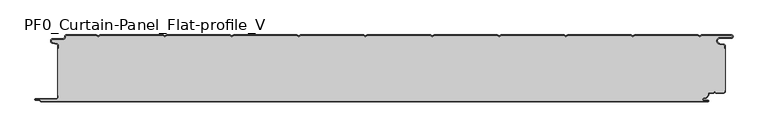
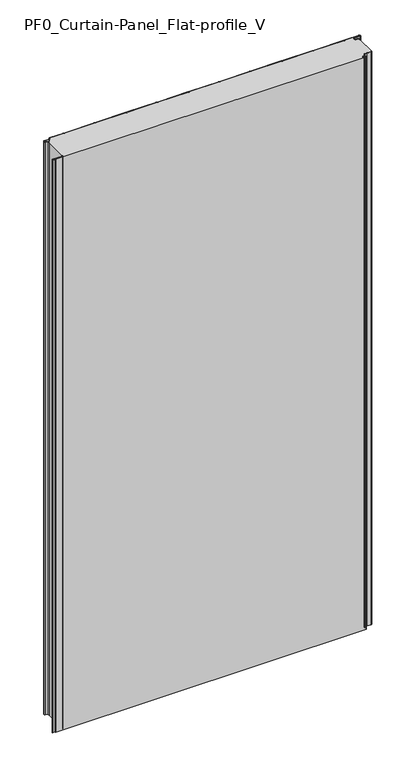
"""IFC4 building model written with IfcOpenShell, lengths in millimetres: plate geometry, PF0_Curtain-Panel_Flat-profile_V."""

import ifcopenshell
import ifcopenshell.guid

model = None  # the IFC model being written
_history = None  # IfcOwnerHistory: only IFC2X3 demands one
_inside = {}  # id of a spatial element -> (the spatial element, [elements in it])
_under = {}  # id of a project, library or spatial element -> (it, [spatial elements below it])
_declared = {}  # id of a project -> (the project, [libraries it declares])
_typed = {}  # id of a type object -> (the type object, [elements of that type])
_made_of = {}  # id of a material, layer set ... -> (it, [elements and type objects made of it])


def new_model(schema):
    """Start an empty IFC model of exactly this schema.

    Asked for "IFC4X3", IfcOpenShell would pick the latest addendum, in which some entities
    have other attributes; the version numbers below select the first issue.
    IFC2X3 requires an IfcOwnerHistory on every rooted entity: one is made here for all.
    """
    global model, _history
    if schema == "IFC4X3":
        model = ifcopenshell.file(schema_version=(4, 3, 0, 0))
    else:
        model = ifcopenshell.file(schema=schema)
    _inside.clear()
    _under.clear()
    _declared.clear()
    _typed.clear()
    _made_of.clear()
    _history = None
    if model.schema == "IFC2X3":
        org = make("IfcOrganization", Name="unknown")
        user = make(
            "IfcPersonAndOrganization",
            ThePerson=make("IfcPerson", FamilyName="unknown"),
            TheOrganization=org,
        )
        app = make(
            "IfcApplication",
            ApplicationDeveloper=org,
            Version="unknown",
            ApplicationFullName="unknown",
            ApplicationIdentifier="unknown",
        )
        _history = make(
            "IfcOwnerHistory",
            OwningUser=user,
            OwningApplication=app,
            ChangeAction="ADDED",
            CreationDate=0,
        )
    return model


def make(cls, **values):
    """One entity of the class cls with the attributes given. An attribute that is None is left unset."""
    return model.create_entity(
        cls, **{name: value for name, value in values.items() if value is not None}
    )


def rooted(cls, **values):
    """An entity with a GlobalId (a new one), such as an element, a storey or a relation."""
    return make(cls, GlobalId=ifcopenshell.guid.new(), OwnerHistory=_history, **values)


def si_unit(unit_type, name, prefix=None):
    """IfcSIUnit, for example si_unit("LENGTHUNIT", "METRE", prefix="MILLI")."""
    return make("IfcSIUnit", UnitType=unit_type, Prefix=prefix, Name=name)


def assignment(units):
    """IfcUnitAssignment: the units of a project."""
    return None if units is None else make("IfcUnitAssignment", Units=units)


def point(xyz):
    """IfcCartesianPoint."""
    return None if xyz is None else make("IfcCartesianPoint", Coordinates=xyz)


def direction(xyz):
    """IfcDirection."""
    return None if xyz is None else make("IfcDirection", DirectionRatios=xyz)


def frame(location, z_axis=None, x_axis=None):
    """IfcAxis2Placement3D, a coordinate frame: its origin and axes. An axis left out is left unset."""
    return make(
        "IfcAxis2Placement3D",
        Location=point(location),
        Axis=direction(z_axis),
        RefDirection=direction(x_axis),
    )


def frame_2d(location, x_axis=None):
    """IfcAxis2Placement2D, a coordinate frame in the plane: its origin and x axis."""
    return make(
        "IfcAxis2Placement2D", Location=point(location), RefDirection=direction(x_axis)
    )


def origin():
    """The frame at (0, 0, 0) with its axes left unset."""
    return frame((0.0, 0.0, 0.0))


def origin_with_axes():
    """The frame at (0, 0, 0) with the z axis (0, 0, 1) and the x axis (1, 0, 0) written out."""
    return frame((0.0, 0.0, 0.0), z_axis=(0.0, 0.0, 1.0), x_axis=(1.0, 0.0, 0.0))


def place(relative_to, where):
    """IfcLocalPlacement: puts the frame where relative to a parent placement (None: the world)."""
    return make(
        "IfcLocalPlacement", PlacementRelTo=relative_to, RelativePlacement=where
    )


def context(
    kind, dimensions, precision=None, world=None, true_north=None, identifier=None
):
    """IfcGeometricRepresentationContext, for example the 3D "Model" context."""
    return make(
        "IfcGeometricRepresentationContext",
        ContextIdentifier=identifier,
        ContextType=kind,
        CoordinateSpaceDimension=dimensions,
        Precision=precision,
        WorldCoordinateSystem=world,
        TrueNorth=true_north,
    )


def project(units=None, contexts=None):
    """IfcProject with its units and contexts."""
    return rooted(
        "IfcProject",
        Name="project",
        RepresentationContexts=contexts,
        UnitsInContext=assignment(units),
    )


def spatial(cls, under=None, at=None, **own):
    """A site, building, storey or space (cls), placed at a placement, below another one or the project."""
    s = rooted(cls, ObjectPlacement=at, **own)
    if under is not None:
        _under.setdefault(under.id(), (under, []))[1].append(s)
    return s


def polyline(points):
    """IfcPolyline through the points."""
    return make("IfcPolyline", Points=[point(p) for p in points])


def circle_curve(where, radius):
    """IfcCircle in the frame where."""
    return make("IfcCircle", Position=where, Radius=radius)


def trimmed(basis, trim1, trim2, sense, master):
    """IfcTrimmedCurve: the piece of a basis curve between two trims."""
    return make(
        "IfcTrimmedCurve",
        BasisCurve=basis,
        Trim1=trim1,
        Trim2=trim2,
        SenseAgreement=sense,
        MasterRepresentation=master,
    )


def segment(curve, same_sense, transition):
    """IfcCompositeCurveSegment."""
    return make(
        "IfcCompositeCurveSegment",
        Transition=transition,
        SameSense=same_sense,
        ParentCurve=curve,
    )


def composite_curve(segments, self_intersect=None):
    """IfcCompositeCurve: segments joined end to end."""
    return make("IfcCompositeCurve", Segments=segments, SelfIntersect=self_intersect)


def outline(outer, holes=None, kind="AREA"):
    """IfcArbitraryClosedProfileDef: a profile drawn as a closed curve; with holes, ...WithVoids."""
    if holes is None:
        return make("IfcArbitraryClosedProfileDef", ProfileType=kind, OuterCurve=outer)
    return make(
        "IfcArbitraryProfileDefWithVoids",
        ProfileType=kind,
        OuterCurve=outer,
        InnerCurves=holes,
    )


def extrude(swept, where, along, depth):
    """IfcExtrudedAreaSolid: the profile swept, set in the frame where, extruded along a direction by depth."""
    return make(
        "IfcExtrudedAreaSolid",
        SweptArea=swept,
        Position=where,
        ExtrudedDirection=direction(along),
        Depth=depth,
    )


def shape(context_of_items, identifier, shape_type, items):
    """IfcShapeRepresentation: the items that make up one representation, for example the "Body"."""
    return make(
        "IfcShapeRepresentation",
        ContextOfItems=context_of_items,
        RepresentationIdentifier=identifier,
        RepresentationType=shape_type,
        Items=items,
    )


def source(mapping_origin, context_of_items, identifier, shape_type, items):
    """IfcRepresentationMap: a shape defined once, which mapped items show again and again."""
    return make(
        "IfcRepresentationMap",
        MappingOrigin=mapping_origin,
        MappedRepresentation=shape(context_of_items, identifier, shape_type, items),
    )


def transform(
    local_origin,
    x_axis=None,
    y_axis=None,
    z_axis=None,
    scale=None,
    scale2=None,
    scale3=None,
    uniform=True,
):
    """IfcCartesianTransformationOperator3D, or its non-uniform kind. x_axis, y_axis, z_axis: its Axis1, 2, 3."""
    if uniform:
        return make(
            "IfcCartesianTransformationOperator3D",
            Axis1=direction(x_axis),
            Axis2=direction(y_axis),
            LocalOrigin=point(local_origin),
            Scale=scale,
            Axis3=direction(z_axis),
        )
    return make(
        "IfcCartesianTransformationOperator3DnonUniform",
        Axis1=direction(x_axis),
        Axis2=direction(y_axis),
        LocalOrigin=point(local_origin),
        Scale=scale,
        Axis3=direction(z_axis),
        Scale2=scale2,
        Scale3=scale3,
    )


def mapped(mapping_source, mapping_target):
    """IfcMappedItem: shows the shape of a source again, moved by a transform."""
    return make(
        "IfcMappedItem", MappingSource=mapping_source, MappingTarget=mapping_target
    )


def made_of(thing, what):
    """Note that an element or type object is made of a material, layer set ...; save() writes the relation."""
    if what is not None:
        _made_of.setdefault(what.id(), (what, []))[1].append(thing)
    return thing


def element(
    cls,
    number,
    at=None,
    inside=None,
    cuts=None,
    type_object=None,
    material=None,
    context=None,
    identifier="Body",
    shape_type=None,
    held_by="IfcProductDefinitionShape",
    body=None,
    shapes=None,
    **own,
):
    """One element of the class cls, such as IfcWall. Its Tag is "e" and its number.

    at: its placement. inside: the storey or other place that contains it. cuts: it is an
    opening in that element (IfcRelVoidsElement). A single representation is given by context,
    identifier, shape_type and body (its items); several are given by shapes. held_by: the class
    of the entity that holds the representations. save() writes the other relations.
    """
    e = rooted(cls, Tag="e%d" % number, ObjectPlacement=at, **own)
    if body is not None:
        shapes = [shape(context, identifier, shape_type, body)]
    if shapes is not None:
        e.Representation = make(held_by, Representations=shapes)
    if inside is not None:
        _inside.setdefault(inside.id(), (inside, []))[1].append(e)
    if cuts is not None:
        rooted(
            "IfcRelVoidsElement", RelatingBuildingElement=cuts, RelatedOpeningElement=e
        )
    if type_object is not None:
        _typed.setdefault(type_object.id(), (type_object, []))[1].append(e)
    return made_of(e, material)


def aggregate(whole, parts):
    """IfcRelAggregates: a whole, such as a stair, and the parts it consists of."""
    return rooted("IfcRelAggregates", RelatingObject=whole, RelatedObjects=parts)


def save(model, path):
    """Write the relations noted so far, then the file.

    IfcRelAggregates (storeys below a building ...), IfcRelContainedInSpatialStructure (elements
    in a storey), IfcRelDefinesByType, IfcRelAssociatesMaterial and IfcRelDeclares: one each for
    every whole, place, type object, material and project.
    """
    for whole, parts in _under.values():
        aggregate(whole, parts)
    for where, things in _inside.values():
        rooted(
            "IfcRelContainedInSpatialStructure",
            RelatedElements=things,
            RelatingStructure=where,
        )
    for kind, things in _typed.values():
        rooted("IfcRelDefinesByType", RelatedObjects=things, RelatingType=kind)
    for what, things in _made_of.values():
        rooted("IfcRelAssociatesMaterial", RelatedObjects=things, RelatingMaterial=what)
    for by, libraries in _declared.values():
        rooted("IfcRelDeclares", RelatingContext=by, RelatedDefinitions=libraries)
    model.write(path)


def plane_surface(at):
    """IfcPlane: the flat surface through the origin of the frame at, square to its z axis."""
    return make("IfcPlane", Position=at)


def cylinder_surface(at, radius):
    """IfcCylindricalSurface: all points at the distance radius from the z axis of the frame at."""
    return make("IfcCylindricalSurface", Position=at, Radius=radius)


def revolved_surface(curve, axis_point, axis_direction):
    """IfcSurfaceOfRevolution: the curve turned about the line through axis_point along axis_direction."""
    return make(
        "IfcSurfaceOfRevolution",
        SweptCurve=make("IfcArbitraryOpenProfileDef", ProfileType="CURVE", Curve=curve),
        AxisPosition=make("IfcAxis1Placement", Location=point(axis_point), Axis=direction(axis_direction)),
    )


def advanced_brep(points, edges, surfaces, faces):
    """IfcAdvancedBrep: a solid bounded by faces that lie on surfaces and meet in shared edges.

    An edge is (start, end): straight between two places in points (the first is 0);
    or (start, end, curve); or (start, end, curve, False) where it runs against its curve.
    A face is (place in surfaces, loops), or (place, loops, False) where it looks against
    its surface's normal. A loop lists edges by number (the first is 1), with a minus sign
    where the edge is run from its end to its start. The first loop is the outer one.
    """
    corners = [point(p) for p in points]
    vertices = [make("IfcVertexPoint", VertexGeometry=c) for c in corners]
    made = []
    for start, end, *more in edges:
        made.append(
            make(
                "IfcEdgeCurve",
                EdgeStart=vertices[start],
                EdgeEnd=vertices[end],
                EdgeGeometry=more[0] if more else make("IfcPolyline", Points=[corners[start], corners[end]]),
                SameSense=more[1] if len(more) > 1 else True,
            )
        )
    hull = []
    for where, loops, *sense in faces:
        bounds = []
        for j, loop in enumerate(loops):
            ring = [make("IfcOrientedEdge", EdgeElement=made[abs(k) - 1], Orientation=k > 0) for k in loop]
            bounds.append(
                make(
                    "IfcFaceOuterBound" if j == 0 else "IfcFaceBound",
                    Bound=make("IfcEdgeLoop", EdgeList=ring),
                    Orientation=True,
                )
            )
        hull.append(make("IfcAdvancedFace", Bounds=bounds, FaceSurface=surfaces[where], SameSense=sense[0] if sense else True))
    return make("IfcAdvancedBrep", Outer=make("IfcClosedShell", CfsFaces=hull))


def pf0_curtain_panel_flat_profile_v_f367936f(model_context):
    return source(origin(), model_context, "Body", "SolidModel", [
        advanced_brep(
        [(-500.0, -15.878557, 1945.7507136), (-500.0, -20.0, 1945.7507136), (-499.2, -20.0, 1945.7507136), (-499.2, -15.878557, 1945.7507136), (-501.370137, -13.1503208, 1945.7507136), (-507.529863, -11.728236, 1945.7507136), (-506.9, -6.2, 1945.7507136), (-491.4, -6.2, 1945.7507136), (-488.6, -3.4, 1945.7507136), (-488.6, -2.0, 1945.7507136), (-487.4, -0.8, 1945.7507136), (-442.3143588, -0.8, 1945.7507136), (-439.4, -2.482606, 1945.7507136), (-436.4856412, -0.8, 1945.7507136), (-342.3143588, -0.8, 1945.7507136), (-339.4, -2.482606, 1945.7507136), (-336.4856412, -0.8, 1945.7507136), (-242.3143588, -0.8, 1945.7507136), (-239.4, -2.482606, 1945.7507136), (-236.4856412, -0.8, 1945.7507136), (-142.3143588, -0.8, 1945.7507136), (-139.4, -2.482606, 1945.7507136), (-136.4856412, -0.8, 1945.7507136), (-42.3143588, -0.8, 1945.7507136), (-39.4, -2.482606, 1945.7507136), (-36.4856412, -0.8, 1945.7507136), (57.6856412, -0.8, 1945.7507136), (60.6, -2.482606, 1945.7507136), (63.5143588, -0.8, 1945.7507136), (157.6856412, -0.8, 1945.7507136), (160.6, -2.482606, 1945.7507136), (163.5143588, -0.8, 1945.7507136), (257.6856412, -0.8, 1945.7507136), (260.6, -2.482606, 1945.7507136), (263.5143588, -0.8, 1945.7507136), (357.6856412, -0.8, 1945.7507136), (360.6, -2.482606, 1945.7507136), (363.5143588, -0.8, 1945.7507136), (457.6856412, -0.8, 1945.7507136), (460.6, -2.482606, 1945.7507136), (463.5143588, -0.8, 1945.7507136), (508.1, -0.8, 1945.7507136), (508.1, -4.2, 1945.7507136), (491.1, -4.2, 1945.7507136), (490.2664884, -13.7270771, 1945.7507136), (496.7125669, -14.8636953, 1945.7507136), (498.2, -16.6363492, 1945.7507136), (498.2, -20.0, 1945.7507136), (499.0, -20.0, 1945.7507136), (499.0, -16.6363492, 1945.7507136), (496.8514855, -14.0758491, 1945.7507136), (490.405407, -12.939231, 1945.7507136), (491.1, -5.0, 1945.7507136), (508.1, -5.0, 1945.7507136), (510.6, -2.5, 1945.7507136), (508.1, 0.0, 1945.7507136), (463.2999995, 0.0, 1945.7507136), (460.6, -1.5588455, 1945.7507136), (457.9000005, 0.0, 1945.7507136), (363.2999995, 0.0, 1945.7507136), (360.6, -1.5588455, 1945.7507136), (357.9000005, 0.0, 1945.7507136), (263.2999995, 0.0, 1945.7507136), (260.6, -1.5588455, 1945.7507136), (257.9000005, 0.0, 1945.7507136), (163.2999995, 0.0, 1945.7507136), (160.6, -1.5588455, 1945.7507136), (157.9000005, 0.0, 1945.7507136), (63.2999995, 0.0, 1945.7507136), (60.6, -1.5588455, 1945.7507136), (57.9000005, 0.0, 1945.7507136), (-36.7000005, 0.0, 1945.7507136), (-39.4, -1.5588455, 1945.7507136), (-42.0999995, 0.0, 1945.7507136), (-136.7000005, 0.0, 1945.7507136), (-139.4, -1.5588455, 1945.7507136), (-142.0999995, 0.0, 1945.7507136), (-236.7000005, 0.0, 1945.7507136), (-239.4, -1.5588455, 1945.7507136), (-242.0999995, 0.0, 1945.7507136), (-336.7000005, 0.0, 1945.7507136), (-339.4, -1.5588455, 1945.7507136), (-342.0999995, 0.0, 1945.7507136), (-436.7000005, 0.0, 1945.7507136), (-439.4, -1.5588455, 1945.7507136), (-442.0999995, 0.0, 1945.7507136), (-487.4, 0.0, 1945.7507136), (-489.4, -2.0, 1945.7507136), (-489.4, -3.4, 1945.7507136), (-491.4, -5.4, 1945.7507136), (-506.9, -5.4, 1945.7507136), (-507.7098239, -12.5077322, 1945.7507136), (-501.5500979, -13.929817, 1945.7507136), (-500.0, -15.878557, 0.0), (-501.5500978, -13.9298169, 0.0), (-507.7098239, -12.507732, 0.0), (-506.9, -5.4, 0.0), (-491.4, -5.4, 0.0), (-489.4, -3.4, 0.0), (-489.4, -2.0, 0.0), (-487.4, 0.0, 0.0), (-442.0999995, 0.0, 0.0), (-439.4, -1.5588455, 0.0), (-436.7000005, 0.0, 0.0), (-342.0999995, 0.0, 0.0), (-339.4, -1.5588455, 0.0), (-336.7000005, 0.0, 0.0), (-242.0999995, 0.0, 0.0), (-239.4, -1.5588455, 0.0), (-236.7000005, 0.0, 0.0), (-142.0999995, 0.0, 0.0), (-139.4, -1.5588455, 0.0), (-136.7000005, 0.0, 0.0), (-42.0999995, 0.0, 0.0), (-39.4, -1.5588455, 0.0), (-36.7000005, 0.0, 0.0), (57.9000005, 0.0, 0.0), (60.6, -1.5588455, 0.0), (63.2999995, 0.0, 0.0), (157.9000005, 0.0, 0.0), (160.6, -1.5588455, 0.0), (163.2999995, 0.0, 0.0), (257.9000005, 0.0, 0.0), (260.6, -1.5588455, 0.0), (263.2999995, 0.0, 0.0), (357.9000005, 0.0, 0.0), (360.6, -1.5588455, 0.0), (363.2999995, 0.0, 0.0), (457.9000005, 0.0, 0.0), (460.6, -1.5588455, 0.0), (463.2999995, 0.0, 0.0), (508.1, 0.0, 0.0), (510.6, -2.5, 0.0), (508.1, -5.0, 0.0), (491.1, -5.0, 0.0), (490.405407, -12.939231, 0.0), (496.8514855, -14.0758491, 0.0), (499.0, -16.6363492, 0.0), (499.0, -20.0, 0.0), (498.2, -20.0, 0.0), (498.2, -16.6363492, 0.0), (496.7125669, -14.8636953, 0.0), (490.2664884, -13.7270772, 0.0), (491.1, -4.2, 0.0), (508.1, -4.2, 0.0), (508.1, -0.8, 0.0), (463.5143588, -0.8, 0.0), (460.6, -2.482606, 0.0), (457.6856412, -0.8, 0.0), (363.5143588, -0.8, 0.0), (360.6, -2.482606, 0.0), (357.6856412, -0.8, 0.0), (263.5143588, -0.8, 0.0), (260.6, -2.482606, 0.0), (257.6856412, -0.8, 0.0), (163.5143588, -0.8, 0.0), (160.6, -2.482606, 0.0), (157.6856412, -0.8, 0.0), (63.5143588, -0.8, 0.0), (60.6, -2.482606, 0.0), (57.6856412, -0.8, 0.0), (-36.4856412, -0.8, 0.0), (-39.4, -2.482606, 0.0), (-42.3143588, -0.8, 0.0), (-136.4856412, -0.8, 0.0), (-139.4, -2.482606, 0.0), (-142.3143588, -0.8, 0.0), (-236.4856412, -0.8, 0.0), (-239.4, -2.482606, 0.0), (-242.3143588, -0.8, 0.0), (-336.4856412, -0.8, 0.0), (-339.4, -2.482606, 0.0), (-342.3143588, -0.8, 0.0), (-436.4856412, -0.8, 0.0), (-439.4, -2.482606, 0.0), (-442.3143588, -0.8, 0.0), (-487.4, -0.8, 0.0), (-488.6, -2.0, 0.0), (-488.6, -3.4, 0.0), (-491.4, -6.2, 0.0), (-506.9, -6.2, 0.0), (-507.529863, -11.7282362, 0.0), (-501.370137, -13.150321, 0.0), (-499.2, -15.878557, 0.0), (-499.2, -20.0, 0.0), (-500.0, -20.0, 0.0)],
        [
            (0, 1),
            (1, 2),
            (2, 3),
            (3, 4, circle_curve(frame((-502.0, -15.878557, 1945.7507136), z_axis=(0.0, 0.0, 1.0), x_axis=(1.0, 0.0, 0.0)), 2.8)),
            (4, 5),
            (5, 6, circle_curve(frame((-506.9, -9.0, 1945.7507136), z_axis=(0.0, 0.0, -1.0), x_axis=(1.0, 0.0, 0.0)), 2.8)),
            (6, 7),
            (7, 8, circle_curve(frame((-491.4, -3.4, 1945.7507136), z_axis=(0.0, 0.0, 1.0), x_axis=(1.0, 0.0, 0.0)), 2.8)),
            (8, 9),
            (9, 10, circle_curve(frame((-487.4, -2.0, 1945.7507136), z_axis=(0.0, 0.0, -1.0), x_axis=(1.0, 0.0, 0.0)), 1.2)),
            (10, 11),
            (11, 12),
            (12, 13),
            (13, 14),
            (14, 15),
            (15, 16),
            (16, 17),
            (17, 18),
            (18, 19),
            (19, 20),
            (20, 21),
            (21, 22),
            (22, 23),
            (23, 24),
            (24, 25),
            (25, 26),
            (26, 27),
            (27, 28),
            (28, 29),
            (29, 30),
            (30, 31),
            (31, 32),
            (32, 33),
            (33, 34),
            (34, 35),
            (35, 36),
            (36, 37),
            (37, 38),
            (38, 39),
            (39, 40),
            (40, 41),
            (41, 42, circle_curve(frame((508.1, -2.5, 1945.7507136), z_axis=(0.0, 0.0, -1.0), x_axis=(1.0, 0.0, 0.0)), 1.7)),
            (42, 43),
            (43, 44, circle_curve(frame((491.1, -9.0, 1945.7507136), z_axis=(0.0, 0.0, 1.0), x_axis=(1.0, 0.0, 0.0)), 4.8)),
            (44, 45),
            (45, 46, circle_curve(frame((496.4, -16.6363492, 1945.7507136), z_axis=(0.0, 0.0, -1.0), x_axis=(1.0, 0.0, 0.0)), 1.8)),
            (46, 47),
            (47, 48),
            (48, 49),
            (49, 50, circle_curve(frame((496.4, -16.6363492, 1945.7507136), z_axis=(0.0, 0.0, 1.0), x_axis=(1.0, 0.0, 0.0)), 2.6)),
            (50, 51),
            (51, 52, circle_curve(frame((491.1, -9.0, 1945.7507136), z_axis=(0.0, 0.0, -1.0), x_axis=(1.0, 0.0, 0.0)), 4.0)),
            (52, 53),
            (53, 54, circle_curve(frame((508.1, -2.5, 1945.7507136), z_axis=(0.0, 0.0, 1.0), x_axis=(1.0, 0.0, 0.0)), 2.5)),
            (54, 55, circle_curve(frame((508.1, -2.5, 1945.7507136), z_axis=(0.0, 0.0, 1.0), x_axis=(1.0, 0.0, 0.0)), 2.5)),
            (55, 56),
            (56, 57),
            (57, 58),
            (58, 59),
            (59, 60),
            (60, 61),
            (61, 62),
            (62, 63),
            (63, 64),
            (64, 65),
            (65, 66),
            (66, 67),
            (67, 68),
            (68, 69),
            (69, 70),
            (70, 71),
            (71, 72),
            (72, 73),
            (73, 74),
            (74, 75),
            (75, 76),
            (76, 77),
            (77, 78),
            (78, 79),
            (79, 80),
            (80, 81),
            (81, 82),
            (82, 83),
            (83, 84),
            (84, 85),
            (85, 86),
            (86, 87, circle_curve(frame((-487.4, -2.0, 1945.7507136), z_axis=(0.0, 0.0, 1.0), x_axis=(1.0, 0.0, 0.0)), 2.0)),
            (87, 88),
            (88, 89, circle_curve(frame((-491.4, -3.4, 1945.7507136), z_axis=(0.0, 0.0, -1.0), x_axis=(1.0, 0.0, 0.0)), 2.0)),
            (89, 90),
            (90, 91, circle_curve(frame((-506.9, -9.0, 1945.7507136), z_axis=(0.0, 0.0, 1.0), x_axis=(1.0, 0.0, 0.0)), 3.6)),
            (91, 92),
            (92, 0, circle_curve(frame((-502.0, -15.878557, 1945.7507136), z_axis=(0.0, 0.0, -1.0), x_axis=(1.0, 0.0, 0.0)), 2.0)),
            (93, 94, circle_curve(frame((-502.0, -15.878557, 0.0), z_axis=(0.0, 0.0, 1.0), x_axis=(1.0, 0.0, 0.0)), 2.0)),
            (94, 95),
            (95, 96, circle_curve(frame((-506.9, -9.0, 0.0), z_axis=(0.0, 0.0, -1.0), x_axis=(1.0, 0.0, 0.0)), 3.6)),
            (96, 97),
            (97, 98, circle_curve(frame((-491.4, -3.4, 0.0), z_axis=(0.0, 0.0, 1.0), x_axis=(1.0, 0.0, 0.0)), 2.0)),
            (98, 99),
            (99, 100, circle_curve(frame((-487.4, -2.0, 0.0), z_axis=(0.0, 0.0, -1.0), x_axis=(1.0, 0.0, 0.0)), 2.0)),
            (100, 101),
            (101, 102),
            (102, 103),
            (103, 104),
            (104, 105),
            (105, 106),
            (106, 107),
            (107, 108),
            (108, 109),
            (109, 110),
            (110, 111),
            (111, 112),
            (112, 113),
            (113, 114),
            (114, 115),
            (115, 116),
            (116, 117),
            (117, 118),
            (118, 119),
            (119, 120),
            (120, 121),
            (121, 122),
            (122, 123),
            (123, 124),
            (124, 125),
            (125, 126),
            (126, 127),
            (127, 128),
            (128, 129),
            (129, 130),
            (130, 131),
            (131, 132, circle_curve(frame((508.1, -2.5, 0.0), z_axis=(0.0, 0.0, -1.0), x_axis=(1.0, 0.0, 0.0)), 2.5)),
            (132, 133, circle_curve(frame((508.1, -2.5, 0.0), z_axis=(0.0, 0.0, -1.0), x_axis=(1.0, 0.0, 0.0)), 2.5)),
            (133, 134),
            (134, 135, circle_curve(frame((491.1, -9.0, 0.0), z_axis=(0.0, 0.0, 1.0), x_axis=(1.0, 0.0, 0.0)), 4.0)),
            (135, 136),
            (136, 137, circle_curve(frame((496.4, -16.6363492, 0.0), z_axis=(0.0, 0.0, -1.0), x_axis=(1.0, 0.0, 0.0)), 2.6)),
            (137, 138),
            (138, 139),
            (139, 140),
            (140, 141, circle_curve(frame((496.4, -16.6363492, 0.0), z_axis=(0.0, 0.0, 1.0), x_axis=(1.0, 0.0, 0.0)), 1.8)),
            (141, 142),
            (142, 143, circle_curve(frame((491.1, -9.0, 0.0), z_axis=(0.0, 0.0, -1.0), x_axis=(1.0, 0.0, 0.0)), 4.8)),
            (143, 144),
            (144, 145, circle_curve(frame((508.1, -2.5, 0.0), z_axis=(0.0, 0.0, 1.0), x_axis=(1.0, 0.0, 0.0)), 1.7)),
            (145, 146),
            (146, 147),
            (147, 148),
            (148, 149),
            (149, 150),
            (150, 151),
            (151, 152),
            (152, 153),
            (153, 154),
            (154, 155),
            (155, 156),
            (156, 157),
            (157, 158),
            (158, 159),
            (159, 160),
            (160, 161),
            (161, 162),
            (162, 163),
            (163, 164),
            (164, 165),
            (165, 166),
            (166, 167),
            (167, 168),
            (168, 169),
            (169, 170),
            (170, 171),
            (171, 172),
            (172, 173),
            (173, 174),
            (174, 175),
            (175, 176),
            (176, 177, circle_curve(frame((-487.4, -2.0, 0.0), z_axis=(0.0, 0.0, 1.0), x_axis=(1.0, 0.0, 0.0)), 1.2)),
            (177, 178),
            (178, 179, circle_curve(frame((-491.4, -3.4, 0.0), z_axis=(0.0, 0.0, -1.0), x_axis=(1.0, 0.0, 0.0)), 2.8)),
            (179, 180),
            (180, 181, circle_curve(frame((-506.9, -9.0, 0.0), z_axis=(0.0, 0.0, 1.0), x_axis=(1.0, 0.0, 0.0)), 2.8)),
            (181, 182),
            (182, 183, circle_curve(frame((-502.0, -15.878557, 0.0), z_axis=(0.0, 0.0, -1.0), x_axis=(1.0, 0.0, 0.0)), 2.8)),
            (183, 184),
            (184, 185),
            (185, 93),
            (0, 93),
            (185, 1),
            (184, 2),
            (183, 3),
            (182, 4),
            (181, 5),
            (180, 6),
            (179, 7),
            (178, 8),
            (177, 9),
            (176, 10),
            (175, 11),
            (174, 12),
            (173, 13),
            (172, 14),
            (171, 15),
            (170, 16),
            (169, 17),
            (168, 18),
            (167, 19),
            (166, 20),
            (165, 21),
            (164, 22),
            (163, 23),
            (162, 24),
            (161, 25),
            (160, 26),
            (159, 27),
            (158, 28),
            (157, 29),
            (156, 30),
            (155, 31),
            (154, 32),
            (153, 33),
            (152, 34),
            (151, 35),
            (150, 36),
            (149, 37),
            (148, 38),
            (147, 39),
            (146, 40),
            (145, 41),
            (144, 42),
            (143, 43),
            (142, 44),
            (141, 45),
            (140, 46),
            (139, 47),
            (138, 48),
            (137, 49),
            (136, 50),
            (135, 51),
            (134, 52),
            (133, 53),
            (131, 55),
            (56, 130),
            (129, 57),
            (128, 58),
            (127, 59),
            (126, 60),
            (125, 61),
            (124, 62),
            (123, 63),
            (122, 64),
            (121, 65),
            (120, 66),
            (119, 67),
            (118, 68),
            (117, 69),
            (116, 70),
            (115, 71),
            (114, 72),
            (113, 73),
            (112, 74),
            (111, 75),
            (110, 76),
            (109, 77),
            (108, 78),
            (107, 79),
            (106, 80),
            (105, 81),
            (104, 82),
            (103, 83),
            (102, 84),
            (101, 85),
            (100, 86),
            (99, 87),
            (98, 88),
            (97, 89),
            (96, 90),
            (95, 91),
            (94, 92),
        ],
        [
            plane_surface(frame((-500.0, 0.0, 1945.7507136), z_axis=(0.0, 0.0, 1.0), x_axis=(0.0, 1.0, 0.0))),
            plane_surface(frame((-500.0, 0.0, 0.0), z_axis=(0.0, 0.0, -1.0), x_axis=(0.0, 1.0, 0.0))),
            plane_surface(frame((-500.0, -15.878557, 1945.7507136), z_axis=(-1.0, 0.0, 0.0), x_axis=(0.0, 0.0, -1.0))),
            plane_surface(frame((-500.0, -20.0, 1945.7507136), z_axis=(0.0, -1.0, 0.0), x_axis=(0.0, 0.0, -1.0))),
            plane_surface(frame((-499.2, -20.0, 1945.7507136), z_axis=(1.0, 0.0, 0.0), x_axis=(0.0, 0.0, -1.0))),
            cylinder_surface(frame((-502.0, -15.878557, 1945.7507136), z_axis=(0.0, 0.0, 1.0), x_axis=(1.0, 0.0, 0.0)), 2.8),
            plane_surface(frame((-501.370137, -13.150321, 1945.7507136), z_axis=(0.22495108446242484, 0.9743700578318174, 0.0), x_axis=(0.0, 0.0, -1.0))),
            revolved_surface(polyline([(-504.09999999999997, -9.0, 0.0), (-504.09999999999997, -9.0, 1945.7507136)]), (-506.9, -9.0, 1945.7507136), (0.0, 0.0, -1.0)),
            plane_surface(frame((-506.9, -6.2, 1945.7507136), z_axis=(0.0, -1.0, 0.0), x_axis=(0.0, 0.0, -1.0))),
            cylinder_surface(frame((-491.4, -3.4, 1945.7507136), z_axis=(0.0, 0.0, 1.0), x_axis=(1.0, 0.0, 0.0)), 2.8),
            plane_surface(frame((-488.6, -3.4, 1945.7507136), z_axis=(1.0, 0.0, 0.0), x_axis=(0.0, 0.0, -1.0))),
            revolved_surface(polyline([(-486.2, -2.0, 0.0), (-486.2, -2.0, 1945.7507136)]), (-487.4, -2.0, 1945.7507136), (0.0, 0.0, -1.0)),
            plane_surface(frame((-487.4, -0.8, 1945.7507136), z_axis=(0.0, -1.0, 0.0), x_axis=(0.0, 0.0, -1.0))),
            plane_surface(frame((-442.3143588, -0.8, 1945.7507136), z_axis=(-0.5000000299313342, -0.8660253865035741, 0.0), x_axis=(0.0, 0.0, -1.0))),
            plane_surface(frame((-439.4, -2.482606, 1945.7507136), z_axis=(0.5000000299313233, -0.8660253865035805, 0.0), x_axis=(0.0, 0.0, -1.0))),
            plane_surface(frame((-436.4856412, -0.8, 1945.7507136), z_axis=(0.0, -1.0, 0.0), x_axis=(0.0, 0.0, -1.0))),
            plane_surface(frame((-342.3143588, -0.8, 1945.7507136), z_axis=(-0.5000000299313346, -0.8660253865035739, 0.0), x_axis=(0.0, 0.0, -1.0))),
            plane_surface(frame((-339.4, -2.482606, 1945.7507136), z_axis=(0.5000000299313251, -0.8660253865035794, 0.0), x_axis=(0.0, 0.0, -1.0))),
            plane_surface(frame((-336.4856412, -0.8, 1945.7507136), z_axis=(0.0, -1.0, 0.0), x_axis=(0.0, 0.0, -1.0))),
            plane_surface(frame((-242.3143588, -0.8, 1945.7507136), z_axis=(-0.5000000299313346, -0.866025386503574, 0.0), x_axis=(0.0, 0.0, -1.0))),
            plane_surface(frame((-239.4, -2.482606, 1945.7507136), z_axis=(0.5000000299313251, -0.8660253865035794, 0.0), x_axis=(0.0, 0.0, -1.0))),
            plane_surface(frame((-236.4856412, -0.8, 1945.7507136), z_axis=(0.0, -1.0, 0.0), x_axis=(0.0, 0.0, -1.0))),
            plane_surface(frame((-142.3143588, -0.8, 1945.7507136), z_axis=(-0.5000000299313349, -0.8660253865035739, 0.0), x_axis=(0.0, 0.0, -1.0))),
            plane_surface(frame((-139.4, -2.482606, 1945.7507136), z_axis=(0.5000000299313233, -0.8660253865035805, 0.0), x_axis=(0.0, 0.0, -1.0))),
            plane_surface(frame((-136.4856412, -0.8, 1945.7507136), z_axis=(0.0, -1.0, 0.0), x_axis=(0.0, 0.0, -1.0))),
            plane_surface(frame((-42.3143588, -0.8, 1945.7507136), z_axis=(-0.5000000299313346, -0.866025386503574, 0.0), x_axis=(0.0, 0.0, -1.0))),
            plane_surface(frame((-39.4, -2.482606, 1945.7507136), z_axis=(0.5000000299313239, -0.8660253865035802, 0.0), x_axis=(0.0, 0.0, -1.0))),
            plane_surface(frame((-36.4856412, -0.8, 1945.7507136), z_axis=(0.0, -1.0, 0.0), x_axis=(0.0, 0.0, -1.0))),
            plane_surface(frame((57.6856412, -0.8, 1945.7507136), z_axis=(-0.5000000299313347, -0.8660253865035739, 0.0), x_axis=(0.0, 0.0, -1.0))),
            plane_surface(frame((60.6, -2.482606, 1945.7507136), z_axis=(0.5000000299313232, -0.8660253865035805, 0.0), x_axis=(0.0, 0.0, -1.0))),
            plane_surface(frame((63.5143588, -0.8, 1945.7507136), z_axis=(0.0, -1.0, 0.0), x_axis=(0.0, 0.0, -1.0))),
            plane_surface(frame((157.6856412, -0.8, 1945.7507136), z_axis=(-0.5000000299313346, -0.866025386503574, 0.0), x_axis=(0.0, 0.0, -1.0))),
            plane_surface(frame((160.6, -2.482606, 1945.7507136), z_axis=(0.5000000299313262, -0.8660253865035787, 0.0), x_axis=(0.0, 0.0, -1.0))),
            plane_surface(frame((163.5143588, -0.8, 1945.7507136), z_axis=(0.0, -1.0, 0.0), x_axis=(0.0, 0.0, -1.0))),
            plane_surface(frame((257.6856412, -0.8, 1945.7507136), z_axis=(-0.5000000299313346, -0.8660253865035739, 0.0), x_axis=(0.0, 0.0, -1.0))),
            plane_surface(frame((260.6, -2.482606, 1945.7507136), z_axis=(0.5000000299313263, -0.8660253865035787, 0.0), x_axis=(0.0, 0.0, -1.0))),
            plane_surface(frame((263.5143588, -0.8, 1945.7507136), z_axis=(0.0, -1.0, 0.0), x_axis=(0.0, 0.0, -1.0))),
            plane_surface(frame((357.6856412, -0.8, 1945.7507136), z_axis=(-0.5000000299313346, -0.8660253865035739, 0.0), x_axis=(0.0, 0.0, -1.0))),
            plane_surface(frame((360.6, -2.482606, 1945.7507136), z_axis=(0.5000000299313255, -0.8660253865035792, 0.0), x_axis=(0.0, 0.0, -1.0))),
            plane_surface(frame((363.5143588, -0.8, 1945.7507136), z_axis=(0.0, -1.0, 0.0), x_axis=(0.0, 0.0, -1.0))),
            plane_surface(frame((457.6856412, -0.8, 1945.7507136), z_axis=(-0.5000000299313347, -0.8660253865035739, 0.0), x_axis=(0.0, 0.0, -1.0))),
            plane_surface(frame((460.6, -2.482606, 1945.7507136), z_axis=(0.5000000299313263, -0.8660253865035787, 0.0), x_axis=(0.0, 0.0, -1.0))),
            plane_surface(frame((463.5143588, -0.8, 1945.7507136), z_axis=(0.0, -1.0, 0.0), x_axis=(0.0, 0.0, -1.0))),
            revolved_surface(polyline([(509.8, -2.5, 0.0), (509.8, -2.5, 1945.7507136)]), (508.1, -2.5, 1945.7507136), (0.0, 0.0, -1.0)),
            plane_surface(frame((508.1, -4.2, 1945.7507136), z_axis=(0.0, 1.0, 0.0), x_axis=(0.0, 0.0, -1.0))),
            cylinder_surface(frame((491.1, -9.0, 1945.7507136), z_axis=(0.0, 0.0, 1.0), x_axis=(1.0, 0.0, 0.0)), 4.8),
            plane_surface(frame((490.2664884, -13.7270772, 1945.7507136), z_axis=(-0.17364825602592485, -0.9848077391954, 0.0), x_axis=(0.0, 0.0, -1.0))),
            revolved_surface(polyline([(498.2, -16.6363492, 0.0), (498.2, -16.6363492, 1945.7507136)]), (496.4, -16.6363492, 1945.7507136), (0.0, 0.0, -1.0)),
            plane_surface(frame((498.2, -16.6363492, 1945.7507136), z_axis=(-1.0, 0.0, 0.0), x_axis=(0.0, 0.0, -1.0))),
            plane_surface(frame((498.2, -20.0, 1945.7507136), z_axis=(0.0, -1.0, 0.0), x_axis=(0.0, 0.0, -1.0))),
            plane_surface(frame((499.0, -20.0, 1945.7507136), z_axis=(1.0, 0.0, 0.0), x_axis=(0.0, 0.0, -1.0))),
            cylinder_surface(frame((496.4, -16.6363492, 1945.7507136), z_axis=(0.0, 0.0, 1.0), x_axis=(1.0, 0.0, 0.0)), 2.6),
            plane_surface(frame((496.8514855, -14.0758491, 1945.7507136), z_axis=(0.1736482560259256, 0.9848077391953998, 0.0), x_axis=(0.0, 0.0, -1.0))),
            revolved_surface(polyline([(495.1, -9.0, 0.0), (495.1, -9.0, 1945.7507136)]), (491.1, -9.0, 1945.7507136), (0.0, 0.0, -1.0)),
            plane_surface(frame((491.1, -5.0, 1945.7507136), z_axis=(0.0, -1.0, 0.0), x_axis=(0.0, 0.0, -1.0))),
            cylinder_surface(frame((508.1, -2.5, 1945.7507136), z_axis=(0.0, 0.0, 1.0), x_axis=(1.0, 0.0, 0.0)), 2.5),
            plane_surface(frame((463.2999995, 0.0, 1945.7507136), z_axis=(-0.5000000299313235, 0.8660253865035803, 0.0), x_axis=(0.0, 0.0, -1.0))),
            plane_surface(frame((460.6, -1.5588455, 1945.7507136), z_axis=(0.5000000299313346, 0.8660253865035739, 0.0), x_axis=(0.0, 0.0, -1.0))),
            plane_surface(frame((457.9000005, 0.0, 1945.7507136), z_axis=(0.0, 1.0, 0.0), x_axis=(0.0, 0.0, -1.0))),
            plane_surface(frame((363.2999995, 0.0, 1945.7507136), z_axis=(-0.5000000299313235, 0.8660253865035803, 0.0), x_axis=(0.0, 0.0, -1.0))),
            plane_surface(frame((360.6, -1.5588455, 1945.7507136), z_axis=(0.5000000299313346, 0.8660253865035739, 0.0), x_axis=(0.0, 0.0, -1.0))),
            plane_surface(frame((357.9000005, 0.0, 1945.7507136), z_axis=(0.0, 1.0, 0.0), x_axis=(0.0, 0.0, -1.0))),
            plane_surface(frame((263.2999995, 0.0, 1945.7507136), z_axis=(-0.5000000299313235, 0.8660253865035803, 0.0), x_axis=(0.0, 0.0, -1.0))),
            plane_surface(frame((260.6, -1.5588455, 1945.7507136), z_axis=(0.5000000299313346, 0.8660253865035739, 0.0), x_axis=(0.0, 0.0, -1.0))),
            plane_surface(frame((257.9000005, 0.0, 1945.7507136), z_axis=(0.0, 1.0, 0.0), x_axis=(0.0, 0.0, -1.0))),
            plane_surface(frame((163.2999995, 0.0, 1945.7507136), z_axis=(-0.5000000299313235, 0.8660253865035803, 0.0), x_axis=(0.0, 0.0, -1.0))),
            plane_surface(frame((160.6, -1.5588455, 1945.7507136), z_axis=(0.5000000299313346, 0.8660253865035739, 0.0), x_axis=(0.0, 0.0, -1.0))),
            plane_surface(frame((157.9000005, 0.0, 1945.7507136), z_axis=(0.0, 1.0, 0.0), x_axis=(0.0, 0.0, -1.0))),
            plane_surface(frame((63.2999995, 0.0, 1945.7507136), z_axis=(-0.5000000299313235, 0.8660253865035803, 0.0), x_axis=(0.0, 0.0, -1.0))),
            plane_surface(frame((60.6, -1.5588455, 1945.7507136), z_axis=(0.5000000299313346, 0.8660253865035739, 0.0), x_axis=(0.0, 0.0, -1.0))),
            plane_surface(frame((57.9000005, 0.0, 1945.7507136), z_axis=(0.0, 1.0, 0.0), x_axis=(0.0, 0.0, -1.0))),
            plane_surface(frame((-36.7000005, 0.0, 1945.7507136), z_axis=(-0.5000000299313235, 0.8660253865035803, 0.0), x_axis=(0.0, 0.0, -1.0))),
            plane_surface(frame((-39.4, -1.5588455, 1945.7507136), z_axis=(0.5000000299313346, 0.8660253865035739, 0.0), x_axis=(0.0, 0.0, -1.0))),
            plane_surface(frame((-42.0999995, 0.0, 1945.7507136), z_axis=(0.0, 1.0, 0.0), x_axis=(0.0, 0.0, -1.0))),
            plane_surface(frame((-136.7000005, 0.0, 1945.7507136), z_axis=(-0.5000000299313235, 0.8660253865035803, 0.0), x_axis=(0.0, 0.0, -1.0))),
            plane_surface(frame((-139.4, -1.5588455, 1945.7507136), z_axis=(0.5000000299313346, 0.8660253865035739, 0.0), x_axis=(0.0, 0.0, -1.0))),
            plane_surface(frame((-142.0999995, 0.0, 1945.7507136), z_axis=(0.0, 1.0, 0.0), x_axis=(0.0, 0.0, -1.0))),
            plane_surface(frame((-236.7000005, 0.0, 1945.7507136), z_axis=(-0.5000000299313235, 0.8660253865035803, 0.0), x_axis=(0.0, 0.0, -1.0))),
            plane_surface(frame((-239.4, -1.5588455, 1945.7507136), z_axis=(0.5000000299313346, 0.8660253865035739, 0.0), x_axis=(0.0, 0.0, -1.0))),
            plane_surface(frame((-242.0999995, 0.0, 1945.7507136), z_axis=(0.0, 1.0, 0.0), x_axis=(0.0, 0.0, -1.0))),
            plane_surface(frame((-336.7000005, 0.0, 1945.7507136), z_axis=(-0.5000000299313235, 0.8660253865035803, 0.0), x_axis=(0.0, 0.0, -1.0))),
            plane_surface(frame((-339.4, -1.5588455, 1945.7507136), z_axis=(0.5000000299313346, 0.8660253865035739, 0.0), x_axis=(0.0, 0.0, -1.0))),
            plane_surface(frame((-342.0999995, 0.0, 1945.7507136), z_axis=(0.0, 1.0, 0.0), x_axis=(0.0, 0.0, -1.0))),
            plane_surface(frame((-436.7000005, 0.0, 1945.7507136), z_axis=(-0.5000000299313235, 0.8660253865035803, 0.0), x_axis=(0.0, 0.0, -1.0))),
            plane_surface(frame((-439.4, -1.5588455, 1945.7507136), z_axis=(0.5000000299313346, 0.8660253865035739, 0.0), x_axis=(0.0, 0.0, -1.0))),
            plane_surface(frame((-442.0999995, 0.0, 1945.7507136), z_axis=(0.0, 1.0, 0.0), x_axis=(0.0, 0.0, -1.0))),
            cylinder_surface(frame((-487.4, -2.0, 1945.7507136), z_axis=(0.0, 0.0, 1.0), x_axis=(1.0, 0.0, 0.0)), 2.0),
            plane_surface(frame((-489.4, -2.0, 1945.7507136), z_axis=(-1.0, 0.0, 0.0), x_axis=(0.0, 0.0, -1.0))),
            revolved_surface(polyline([(-489.4, -3.4, 0.0), (-489.4, -3.4, 1945.7507136)]), (-491.4, -3.4, 1945.7507136), (0.0, 0.0, -1.0)),
            plane_surface(frame((-491.4, -5.4, 1945.7507136), z_axis=(0.0, 1.0, 0.0), x_axis=(0.0, 0.0, -1.0))),
            cylinder_surface(frame((-506.9, -9.0, 1945.7507136), z_axis=(0.0, 0.0, 1.0), x_axis=(1.0, 0.0, 0.0)), 3.6),
            plane_surface(frame((-507.7098239, -12.507732, 1945.7507136), z_axis=(-0.22495108446242487, -0.9743700578318174, 0.0), x_axis=(0.0, 0.0, -1.0))),
            revolved_surface(polyline([(-500.0, -15.878557, 0.0), (-500.0, -15.878557, 1945.7507136)]), (-502.0, -15.878557, 1945.7507136), (0.0, 0.0, -1.0)),
            plane_surface(frame((508.1, 0.0, 1945.7507136), z_axis=(0.0, 1.0, 0.0), x_axis=(0.0, 0.0, -1.0))),
        ],
        [
            (0, [[1, 2, 3, 4, 5, 6, 7, 8, 9, 10, 11, 12, 13, 14, 15, 16, 17, 18, 19, 20, 21, 22, 23, 24, 25, 26, 27, 28, 29, 30, 31, 32, 33, 34, 35, 36, 37, 38, 39, 40, 41, 42, 43, 44, 45, 46, 47, 48, 49, 50, 51, 52, 53, 54, 55, 56, 57, 58, 59, 60, 61, 62, 63, 64, 65, 66, 67, 68, 69, 70, 71, 72, 73, 74, 75, 76, 77, 78, 79, 80, 81, 82, 83, 84, 85, 86, 87, 88, 89, 90, 91, 92, 93]]),
            (1, [[94, 95, 96, 97, 98, 99, 100, 101, 102, 103, 104, 105, 106, 107, 108, 109, 110, 111, 112, 113, 114, 115, 116, 117, 118, 119, 120, 121, 122, 123, 124, 125, 126, 127, 128, 129, 130, 131, 132, 133, 134, 135, 136, 137, 138, 139, 140, 141, 142, 143, 144, 145, 146, 147, 148, 149, 150, 151, 152, 153, 154, 155, 156, 157, 158, 159, 160, 161, 162, 163, 164, 165, 166, 167, 168, 169, 170, 171, 172, 173, 174, 175, 176, 177, 178, 179, 180, 181, 182, 183, 184, 185, 186]]),
            (2, [[-1, 187, -186, 188]]),
            (3, [[-2, -188, -185, 189]]),
            (4, [[-3, -189, -184, 190]]),
            (5, [[-4, -190, -183, 191]]),
            (6, [[-5, -191, -182, 192]]),
            (7, [[-6, -192, -181, 193]]),
            (8, [[-7, -193, -180, 194]]),
            (9, [[-8, -194, -179, 195]]),
            (10, [[-9, -195, -178, 196]]),
            (11, [[-10, -196, -177, 197]]),
            (12, [[-11, -197, -176, 198]]),
            (13, [[-12, -198, -175, 199]]),
            (14, [[-13, -199, -174, 200]]),
            (15, [[-14, -200, -173, 201]]),
            (16, [[-15, -201, -172, 202]]),
            (17, [[-16, -202, -171, 203]]),
            (18, [[-17, -203, -170, 204]]),
            (19, [[-18, -204, -169, 205]]),
            (20, [[-19, -205, -168, 206]]),
            (21, [[-20, -206, -167, 207]]),
            (22, [[-21, -207, -166, 208]]),
            (23, [[-22, -208, -165, 209]]),
            (24, [[-23, -209, -164, 210]]),
            (25, [[-24, -210, -163, 211]]),
            (26, [[-25, -211, -162, 212]]),
            (27, [[-26, -212, -161, 213]]),
            (28, [[-27, -213, -160, 214]]),
            (29, [[-28, -214, -159, 215]]),
            (30, [[-29, -215, -158, 216]]),
            (31, [[-30, -216, -157, 217]]),
            (32, [[-31, -217, -156, 218]]),
            (33, [[-32, -218, -155, 219]]),
            (34, [[-33, -219, -154, 220]]),
            (35, [[-34, -220, -153, 221]]),
            (36, [[-35, -221, -152, 222]]),
            (37, [[-36, -222, -151, 223]]),
            (38, [[-37, -223, -150, 224]]),
            (39, [[-38, -224, -149, 225]]),
            (40, [[-39, -225, -148, 226]]),
            (41, [[-40, -226, -147, 227]]),
            (42, [[-41, -227, -146, 228]]),
            (43, [[-42, -228, -145, 229]]),
            (44, [[-43, -229, -144, 230]]),
            (45, [[-44, -230, -143, 231]]),
            (46, [[-45, -231, -142, 232]]),
            (47, [[-46, -232, -141, 233]]),
            (48, [[-47, -233, -140, 234]]),
            (49, [[-48, -234, -139, 235]]),
            (50, [[-49, -235, -138, 236]]),
            (51, [[-50, -236, -137, 237]]),
            (52, [[-51, -237, -136, 238]]),
            (53, [[-52, -238, -135, 239]]),
            (54, [[-53, -239, -134, 240]]),
            (55, [[-240, -133, -132, 241, -55, -54]]),
            (56, [[-57, 242, -130, 243]]),
            (57, [[-58, -243, -129, 244]]),
            (58, [[-59, -244, -128, 245]]),
            (59, [[-60, -245, -127, 246]]),
            (60, [[-61, -246, -126, 247]]),
            (61, [[-62, -247, -125, 248]]),
            (62, [[-63, -248, -124, 249]]),
            (63, [[-64, -249, -123, 250]]),
            (64, [[-65, -250, -122, 251]]),
            (65, [[-66, -251, -121, 252]]),
            (66, [[-67, -252, -120, 253]]),
            (67, [[-68, -253, -119, 254]]),
            (68, [[-69, -254, -118, 255]]),
            (69, [[-70, -255, -117, 256]]),
            (70, [[-71, -256, -116, 257]]),
            (71, [[-72, -257, -115, 258]]),
            (72, [[-73, -258, -114, 259]]),
            (73, [[-74, -259, -113, 260]]),
            (74, [[-75, -260, -112, 261]]),
            (75, [[-76, -261, -111, 262]]),
            (76, [[-77, -262, -110, 263]]),
            (77, [[-78, -263, -109, 264]]),
            (78, [[-79, -264, -108, 265]]),
            (79, [[-80, -265, -107, 266]]),
            (80, [[-81, -266, -106, 267]]),
            (81, [[-82, -267, -105, 268]]),
            (82, [[-83, -268, -104, 269]]),
            (83, [[-84, -269, -103, 270]]),
            (84, [[-85, -270, -102, 271]]),
            (85, [[-86, -271, -101, 272]]),
            (86, [[-87, -272, -100, 273]]),
            (87, [[-88, -273, -99, 274]]),
            (88, [[-89, -274, -98, 275]]),
            (89, [[-90, -275, -97, 276]]),
            (90, [[-91, -276, -96, 277]]),
            (91, [[-92, -277, -95, 278]]),
            (92, [[-93, -278, -94, -187]]),
            (93, [[-56, -241, -131, -242]]),
        ],
    ),
        extrude(outline(composite_curve([segment(polyline([(-499.2, -90.0), (-500.0, -90.0), (-500.0, -20.0), (-499.2, -20.0), (-499.2, -15.878557)]), True, "CONTINUOUS"), segment(trimmed(circle_curve(frame_2d((-502.0, -15.878557)), 2.8), [point((-499.2, -15.878557))], [point((-501.370137, -13.1503208))], True, "CARTESIAN"), True, "CONTINUOUS"), segment(polyline([(-501.370137, -13.1503208), (-507.529863, -11.7282362)]), True, "CONTINUOUS"), segment(trimmed(circle_curve(frame_2d((-506.9, -9.0)), 2.8), [point((-507.529863, -11.7282362))], [point((-506.9, -6.2))], False, "CARTESIAN"), True, "CONTINUOUS"), segment(polyline([(-506.9, -6.2), (-491.4, -6.2)]), True, "CONTINUOUS"), segment(trimmed(circle_curve(frame_2d((-491.4, -3.4)), 2.8), [point((-491.4, -6.2))], [point((-488.6, -3.4))], True, "CARTESIAN"), True, "CONTINUOUS"), segment(polyline([(-488.6, -3.4), (-488.6, -2.0)]), True, "CONTINUOUS"), segment(trimmed(circle_curve(frame_2d((-487.4, -2.0)), 1.2), [point((-488.6, -2.0))], [point((-487.4, -0.8))], False, "CARTESIAN"), True, "CONTINUOUS"), segment(polyline([(-487.4, -0.8), (-442.3143588, -0.8), (-439.4, -2.482606), (-436.4856412, -0.8), (-342.3143588, -0.8), (-339.4, -2.482606), (-336.4856412, -0.8), (-242.3143588, -0.8), (-239.4, -2.482606), (-236.4856412, -0.8), (-142.3143588, -0.8), (-139.4, -2.482606), (-136.4856412, -0.8), (-42.3143588, -0.8), (-39.4, -2.482606), (-36.4856412, -0.8), (57.6856412, -0.8), (60.6, -2.482606), (63.5143588, -0.8), (157.6856412, -0.8), (160.6, -2.482606), (163.5143588, -0.8), (257.6856412, -0.8), (260.6, -2.482606), (263.5143588, -0.8), (357.6856412, -0.8), (360.6, -2.482606), (363.5143588, -0.8), (457.6856412, -0.8), (460.6, -2.482606), (463.5143588, -0.8), (508.1, -0.8)]), True, "CONTINUOUS"), segment(trimmed(circle_curve(frame_2d((508.1, -2.5)), 1.7), [point((508.1, -0.8))], [point((508.1, -4.2))], False, "CARTESIAN"), True, "CONTINUOUS"), segment(polyline([(508.1, -4.2), (491.1, -4.2)]), True, "CONTINUOUS"), segment(trimmed(circle_curve(frame_2d((491.1, -9.0)), 4.8), [point((491.1, -4.2))], [point((490.2664884, -13.7270772))], True, "CARTESIAN"), True, "CONTINUOUS"), segment(polyline([(490.2664884, -13.7270772), (496.7125669, -14.8636953)]), True, "CONTINUOUS"), segment(trimmed(circle_curve(frame_2d((496.4, -16.6363492)), 1.8), [point((496.7125669, -14.8636953))], [point((498.2, -16.6363492))], False, "CARTESIAN"), True, "CONTINUOUS"), segment(polyline([(498.2, -16.6363492), (498.2, -20.0), (499.0, -20.0), (499.0, -83.0), (498.2, -83.0), (498.2, -84.4)]), True, "CONTINUOUS"), segment(trimmed(circle_curve(frame_2d((496.4, -84.4)), 1.8), [point((498.2, -84.4))], [point((496.4, -86.2))], False, "CARTESIAN"), True, "CONTINUOUS"), segment(polyline([(496.4, -86.2), (484.8313698, -86.2), (483.0, -84.3686285), (481.1686302, -86.2), (475.0, -86.2)]), True, "CONTINUOUS"), segment(trimmed(circle_curve(frame_2d((475.0, -88.0)), 1.8), [point((475.0, -86.2))], [point((473.2, -88.0))], True, "CARTESIAN"), True, "CONTINUOUS"), segment(polyline([(473.2, -88.0), (473.2, -88.8276204)]), True, "CONTINUOUS"), segment(trimmed(circle_curve(frame_2d((467.8276204, -88.8276204)), 5.3723796), [point((473.2, -88.8276204))], [point((467.8276204, -94.2))], False, "CARTESIAN"), True, "CONTINUOUS"), segment(polyline([(467.8276204, -94.2), (467.0, -94.2)]), True, "CONTINUOUS"), segment(trimmed(circle_curve(frame_2d((467.0, -96.4)), 2.2), [point((467.0, -94.2))], [point((467.0, -98.6))], True, "CARTESIAN"), True, "CONTINUOUS"), segment(polyline([(467.0, -98.6), (472.8891513, -98.6)]), True, "CONTINUOUS"), segment(trimmed(circle_curve(frame_2d((472.8891513, -98.9)), 0.3), [point((472.8891513, -98.6))], [point((472.8891513, -99.2))], False, "CARTESIAN"), True, "CONTINUOUS"), segment(polyline([(472.8891513, -99.2), (-524.4, -99.2)]), True, "CONTINUOUS"), segment(trimmed(circle_curve(frame_2d((-524.4, -98.4)), 0.8), [point((-524.4, -99.2))], [point((-525.2, -98.4))], False, "CARTESIAN"), True, "CONTINUOUS"), segment(trimmed(circle_curve(frame_2d((-526.9, -98.6133333)), 1.7133333), [point((-525.2, -98.4))], [point((-526.9, -96.9))], True, "CARTESIAN"), True, "CONTINUOUS"), segment(polyline([(-526.9, -96.9), (-532.8700312, -96.9)]), True, "CONTINUOUS"), segment(trimmed(circle_curve(frame_2d((-532.8700312, -96.6)), 0.3), [point((-532.8700312, -96.9))], [point((-532.8700312, -96.3))], False, "CARTESIAN"), True, "CONTINUOUS"), segment(polyline([(-532.8700312, -96.3), (-502.0, -96.3)]), True, "CONTINUOUS"), segment(trimmed(circle_curve(frame_2d((-502.0, -93.5)), 2.8), [point((-502.0, -96.3))], [point((-499.2, -93.5))], True, "CARTESIAN"), True, "CONTINUOUS"), segment(polyline([(-499.2, -93.5), (-499.2, -90.0)]), True, "CONTINUOUS")], self_intersect=False)), origin_with_axes(), (0.0, 0.0, 1.0), 1945.7507136),
        extrude(outline(composite_curve([segment(polyline([(-500.0, -90.0), (-499.2, -90.0), (-499.2, -93.5)]), True, "CONTINUOUS"), segment(trimmed(circle_curve(frame_2d((-502.0, -93.5)), 2.8), [point((-499.2, -93.5))], [point((-502.0, -96.3))], False, "CARTESIAN"), True, "CONTINUOUS"), segment(polyline([(-502.0, -96.3), (-532.8700312, -96.3)]), True, "CONTINUOUS"), segment(trimmed(circle_curve(frame_2d((-532.8700312, -96.6)), 0.3), [point((-532.8700312, -96.3))], [point((-532.8700312, -96.9))], True, "CARTESIAN"), True, "CONTINUOUS"), segment(polyline([(-532.8700312, -96.9), (-526.9, -96.9)]), True, "CONTINUOUS"), segment(trimmed(circle_curve(frame_2d((-526.9, -98.6133333)), 1.7133333), [point((-526.9, -96.9))], [point((-525.2, -98.4))], False, "CARTESIAN"), True, "CONTINUOUS"), segment(trimmed(circle_curve(frame_2d((-524.4, -98.4)), 0.8), [point((-525.2, -98.4))], [point((-524.4, -99.2))], True, "CARTESIAN"), True, "CONTINUOUS"), segment(polyline([(-524.4, -99.2), (472.8891513, -99.2)]), True, "CONTINUOUS"), segment(trimmed(circle_curve(frame_2d((472.8891513, -98.9)), 0.3), [point((472.8891513, -99.2))], [point((472.8891513, -98.6))], True, "CARTESIAN"), True, "CONTINUOUS"), segment(polyline([(472.8891513, -98.6), (467.0, -98.6)]), True, "CONTINUOUS"), segment(trimmed(circle_curve(frame_2d((467.0, -96.4)), 2.2), [point((467.0, -98.6))], [point((467.0, -94.2))], False, "CARTESIAN"), True, "CONTINUOUS"), segment(polyline([(467.0, -94.2), (467.8276204, -94.2)]), True, "CONTINUOUS"), segment(trimmed(circle_curve(frame_2d((467.8276204, -88.8276204)), 5.3723796), [point((467.8276204, -94.2))], [point((473.2, -88.8276204))], True, "CARTESIAN"), True, "CONTINUOUS"), segment(polyline([(473.2, -88.8276204), (473.2, -88.0)]), True, "CONTINUOUS"), segment(trimmed(circle_curve(frame_2d((475.0, -88.0)), 1.8), [point((473.2, -88.0))], [point((475.0, -86.2))], False, "CARTESIAN"), True, "CONTINUOUS"), segment(polyline([(475.0, -86.2), (481.1686302, -86.2), (483.0, -84.3686285), (484.8313698, -86.2), (496.4, -86.2)]), True, "CONTINUOUS"), segment(trimmed(circle_curve(frame_2d((496.4, -84.4)), 1.8), [point((496.4, -86.2))], [point((498.2, -84.4))], True, "CARTESIAN"), True, "CONTINUOUS"), segment(polyline([(498.2, -84.4), (498.2, -83.0), (499.0, -83.0), (499.0, -84.4)]), True, "CONTINUOUS"), segment(trimmed(circle_curve(frame_2d((496.4, -84.4)), 2.6), [point((499.0, -84.4))], [point((496.4, -87.0))], False, "CARTESIAN"), True, "CONTINUOUS"), segment(polyline([(496.4, -87.0), (484.4999988, -87.0), (483.0, -85.4999999), (481.5000012, -87.0), (475.0, -87.0)]), True, "CONTINUOUS"), segment(trimmed(circle_curve(frame_2d((475.0, -88.0)), 1.0), [point((475.0, -87.0))], [point((474.0, -88.0))], True, "CARTESIAN"), True, "CONTINUOUS"), segment(polyline([(474.0, -88.0), (474.0, -88.8276204)]), True, "CONTINUOUS"), segment(trimmed(circle_curve(frame_2d((467.8276204, -88.8276204)), 6.1723796), [point((474.0, -88.8276204))], [point((467.8276204, -95.0))], False, "CARTESIAN"), True, "CONTINUOUS"), segment(polyline([(467.8276204, -95.0), (467.0, -95.0)]), True, "CONTINUOUS"), segment(trimmed(circle_curve(frame_2d((467.0, -96.5)), 1.5), [point((467.0, -95.0))], [point((467.0, -98.0))], True, "CARTESIAN"), True, "CONTINUOUS"), segment(polyline([(467.0, -98.0), (473.0, -98.0)]), True, "CONTINUOUS"), segment(trimmed(circle_curve(frame_2d((473.0, -99.0)), 1.0), [point((473.0, -98.0))], [point((473.0, -100.0))], False, "CARTESIAN"), True, "CONTINUOUS"), segment(polyline([(473.0, -100.0), (-524.4, -100.0)]), True, "CONTINUOUS"), segment(trimmed(circle_curve(frame_2d((-524.4, -98.4)), 1.6), [point((-524.4, -100.0))], [point((-526.0, -98.4))], False, "CARTESIAN"), True, "CONTINUOUS"), segment(trimmed(circle_curve(frame_2d((-526.9, -98.4)), 0.9), [point((-526.0, -98.4))], [point((-526.9, -97.5))], True, "CARTESIAN"), True, "CONTINUOUS"), segment(polyline([(-526.9, -97.5), (-533.0, -97.5)]), True, "CONTINUOUS"), segment(trimmed(circle_curve(frame_2d((-533.0, -96.5)), 1.0), [point((-533.0, -97.5))], [point((-533.0, -95.5))], False, "CARTESIAN"), True, "CONTINUOUS"), segment(polyline([(-533.0, -95.5), (-502.0, -95.5)]), True, "CONTINUOUS"), segment(trimmed(circle_curve(frame_2d((-502.0, -93.5)), 2.0), [point((-502.0, -95.5))], [point((-500.0, -93.5))], True, "CARTESIAN"), True, "CONTINUOUS"), segment(polyline([(-500.0, -93.5), (-500.0, -90.0)]), True, "CONTINUOUS")], self_intersect=False)), origin_with_axes(), (0.0, 0.0, 1.0), 1945.7507136),
    ])


if __name__ == "__main__":
    model = new_model("IFC4")
    model_context = context("Model", 3, world=origin())
    ifc_project = project(units=[si_unit("LENGTHUNIT", "METRE", prefix="MILLI")], contexts=[model_context])
    site = spatial("IfcSite", under=ifc_project)
    building = spatial("IfcBuilding", under=site)
    placement = place(None, origin())
    pf0_curtain_panel_flat_profile_v_shape = pf0_curtain_panel_flat_profile_v_f367936f(model_context)
    element("IfcPlate", 1, ObjectType="PF0_Curtain-Panel_Flat-profile_V", at=placement, inside=building, context=model_context, shape_type="MappedRepresentation", body=[
        mapped(pf0_curtain_panel_flat_profile_v_shape, transform((0.0, 0.0, 0.0), x_axis=(1.0, 0.0, 0.0), y_axis=(0.0, 1.0, 0.0), z_axis=(0.0, 0.0, 1.0))),
    ])
    save(model, "model.ifc")
